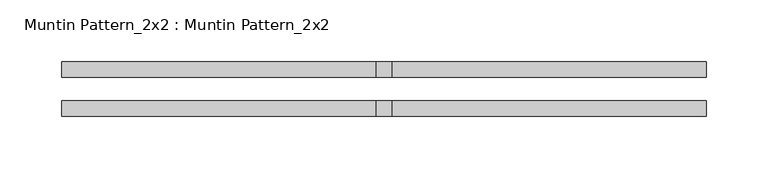
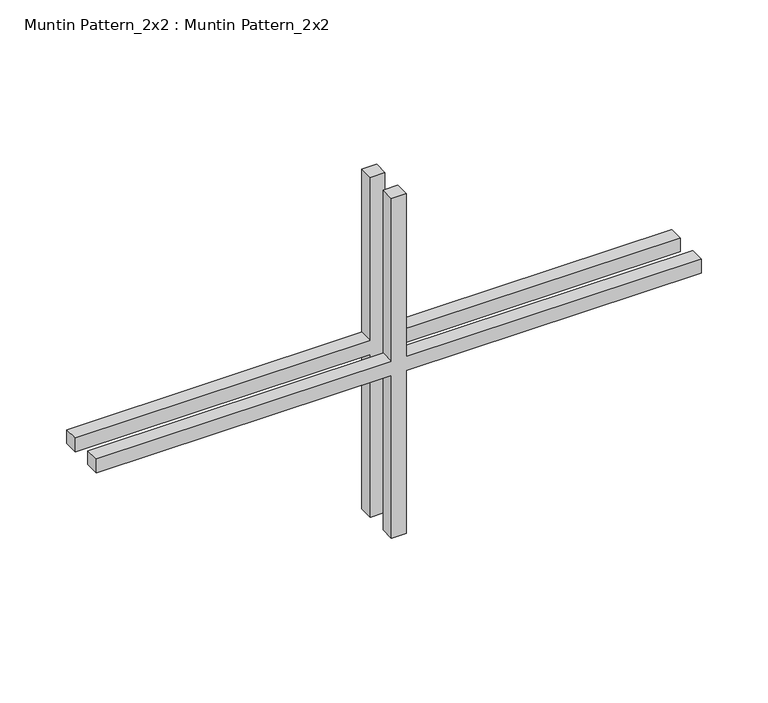
"""IFC4 building model written with IfcOpenShell, lengths in millimetres: proxy geometry, Muntin Pattern_2x2 : Muntin Pattern_2x2."""

from ifc_helpers import new_model, si_unit, frame, origin, place, context, project, spatial, polyline, outline, extrude, source, transform, mapped, element, save


def muntin_pattern_2x2_muntin_pattern_2x2_bf402c9f(model_context):
    return source(origin(), model_context, "Body", "SweptSolid", [
        extrude(outline(polyline([(161.925, -6.35), (161.925, -261.9375), (149.225, -261.9375), (149.225, -6.35), (0.0, -6.35), (0.0, 6.35), (149.225, 6.35), (149.225, 261.9375), (161.925, 261.9375), (161.925, 6.35), (311.15, 6.35), (311.15, -6.35), (161.925, -6.35)])), frame((0.0, 9.525, 0.0), z_axis=(0.0, 1.0, 0.0), x_axis=(0.0, 0.0, 1.0)), (0.0, 0.0, 1.0), 12.7),
        extrude(outline(polyline([(161.925, -6.35), (161.925, -261.9375), (149.225, -261.9375), (149.225, -6.35), (0.0, -6.35), (0.0, 6.35), (149.225, 6.35), (149.225, 261.9375), (161.925, 261.9375), (161.925, 6.35), (311.15, 6.35), (311.15, -6.35), (161.925, -6.35)])), frame((0.0, -22.225, 0.0), z_axis=(0.0, 1.0, 0.0), x_axis=(0.0, 0.0, 1.0)), (0.0, 0.0, 1.0), 12.7),
    ])


if __name__ == "__main__":
    model = new_model("IFC4")
    model_context = context("Model", 3, world=origin())
    ifc_project = project(units=[si_unit("LENGTHUNIT", "METRE", prefix="MILLI")], contexts=[model_context])
    site = spatial("IfcSite", under=ifc_project)
    building = spatial("IfcBuilding", under=site)
    placement = place(None, origin())
    muntin_pattern_2x2_muntin_pattern_2x2_shape = muntin_pattern_2x2_muntin_pattern_2x2_bf402c9f(model_context)
    element("IfcBuildingElementProxy", 1, Name="Muntin Pattern_2x2 : Muntin Pattern_2x2", ObjectType="Muntin Pattern_2x2 : Muntin Pattern_2x2", at=placement, inside=building, context=model_context, shape_type="MappedRepresentation", body=[
        mapped(muntin_pattern_2x2_muntin_pattern_2x2_shape, transform((0.0, 0.0, 0.0), x_axis=(1.0, 0.0, 0.0), y_axis=(0.0, 1.0, 0.0), z_axis=(0.0, 0.0, 1.0))),
    ])
    save(model, "model.ifc")
